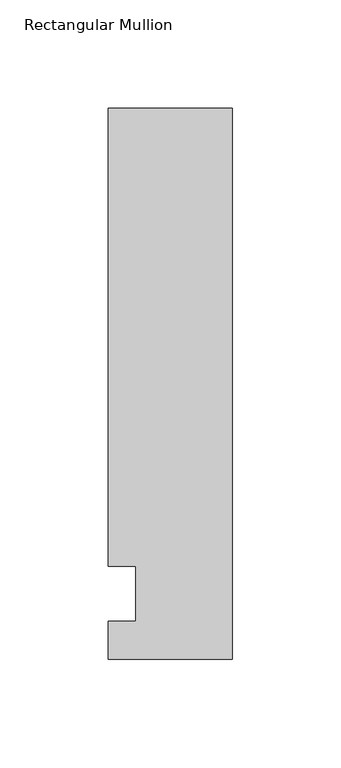
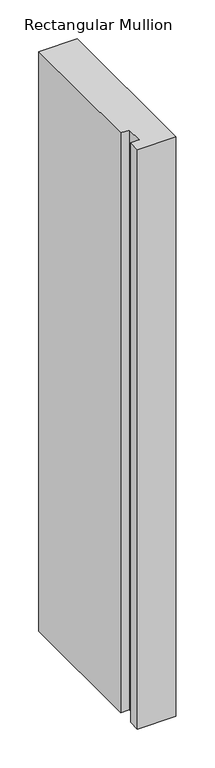
"""IFC4 building model written with IfcOpenShell, lengths in millimetres: member geometry, Rectangular Mullion."""

from ifc_helpers import new_model, si_unit, frame, origin, place, context, project, spatial, polyline, outline, extrude, source, transform, mapped, element, save


def rectangular_mullion_3277e923(model_context):
    return source(origin(), model_context, "Body", "SweptSolid", [
        extrude(outline(polyline([(-57.15, 223.8375), (0.0, 223.8375), (0.0, -30.1625), (-57.15, -30.1625), (-57.15, -12.7), (-44.4482296, -12.7), (-44.4482296, 12.7), (-57.15, 12.7), (-57.15, 223.8375)])), frame((0.0, 0.0, -911.225), z_axis=(0.0, 0.0, 1.0), x_axis=(1.0, 0.0, 0.0)), (0.0, 0.0, 1.0), 911.225),
    ])


if __name__ == "__main__":
    model = new_model("IFC4")
    model_context = context("Model", 3, world=origin())
    ifc_project = project(units=[si_unit("LENGTHUNIT", "METRE", prefix="MILLI")], contexts=[model_context])
    site = spatial("IfcSite", under=ifc_project)
    building = spatial("IfcBuilding", under=site)
    placement = place(None, origin())
    rectangular_mullion_shape = rectangular_mullion_3277e923(model_context)
    element("IfcMember", 1, ObjectType="Rectangular Mullion", at=placement, inside=building, context=model_context, shape_type="MappedRepresentation", body=[
        mapped(rectangular_mullion_shape, transform((0.0, 0.0, 0.0), x_axis=(1.0, 0.0, 0.0), y_axis=(0.0, 1.0, 0.0), z_axis=(0.0, 0.0, 1.0))),
    ])
    save(model, "model.ifc")
